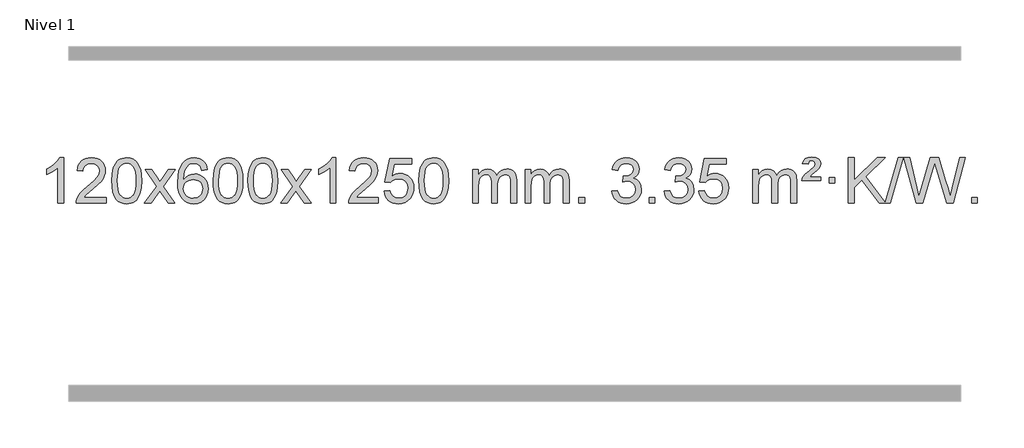
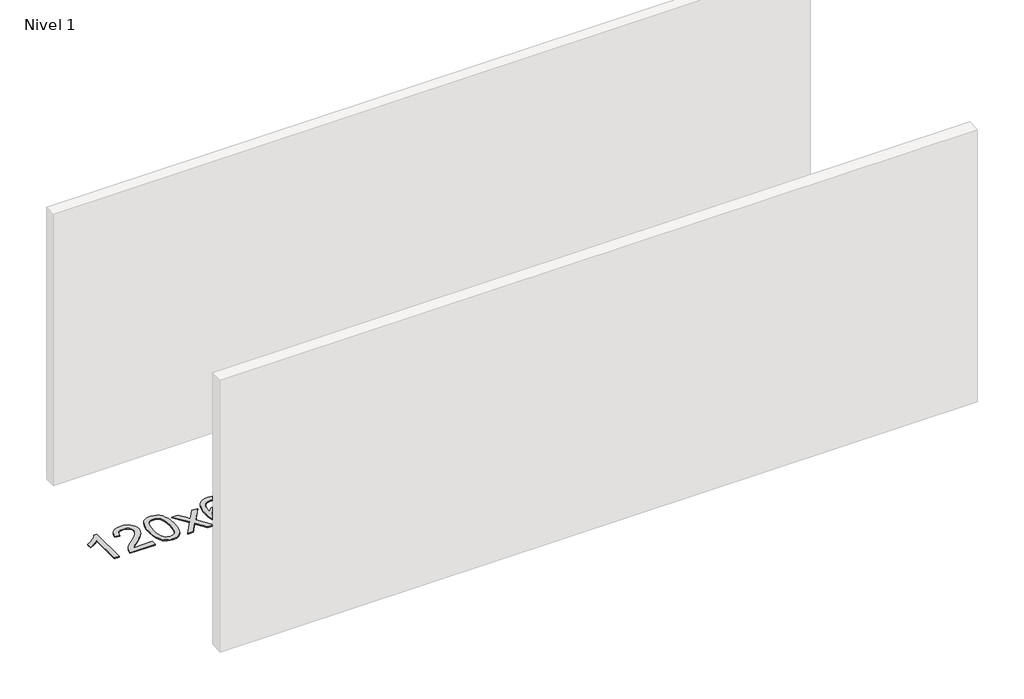
# One storey, part 6 of 12: 1 proxy.
"""IFC4 building model written with IfcOpenShell, lengths in millimetres."""

from ifc_helpers import new_model, si_unit, origin, origin_with_axes, place, context, project, spatial, polyline, outline, extrude, element, save

model = new_model("IFC4")

# Units and contexts
model_context = context("Model", 3, world=origin())
ifc_project = project(units=[si_unit("LENGTHUNIT", "METRE", prefix="MILLI")], contexts=[model_context])

# Site, building, storey
site = spatial("IfcSite", under=ifc_project)
building = spatial("IfcBuilding", under=site)
storey = spatial("IfcBuildingStorey", under=building, Name="Nivel 1", Elevation=0.0)

# Proxy
placement = place(None, origin())
element("IfcBuildingElementProxy", 1, Name="Texto de modelo 1", ObjectType="Texto de modelo 1", at=placement, inside=storey, context=model_context, shape_type="SweptSolid", body=[
    extrude(outline(polyline([(-6575.4615788, -15407.579453), (-6625.6897338, -15407.579453), (-6625.6897338, -15094.4382987), (-6646.6590076, -15111.3976587), (-6673.2691385, -15128.3324932), (-6726.146044, -15153.6918254), (-6726.146044, -15106.2105225), (-6686.6968314, -15084.7507395), (-6652.520594, -15059.219729), (-6625.5793692, -15032.0700378), (-6607.8351943, -15005.7542124), (-6575.4615788, -15005.7542124), (-6575.4615788, -15407.579453)])), origin_with_axes(), (0.0, 0.0, 1.0), 10.0),
    extrude(outline(polyline([(-6198.7504157, -15357.3512979), (-6198.7504157, -15407.579453), (-6462.4482298, -15407.579453), (-6461.3445839, -15389.8965918), (-6457.0526273, -15372.9494945), (-6444.6672667, -15345.8856424), (-6426.5429471, -15319.6311307), (-6400.3252236, -15292.1503456), (-6363.6596514, -15261.4076736), (-6309.4583708, -15213.2641831), (-6276.9376024, -15177.7267824), (-6260.6772182, -15148.884834), (-6255.2570902, -15120.8277005), (-6260.3706499, -15095.6768347), (-6275.7113291, -15074.7688747), (-6299.292565, -15060.6789943), (-6329.1277948, -15055.9823675), (-6360.4590781, -15060.5686297), (-6384.8006034, -15074.3274163), (-6400.5091646, -15096.1796068), (-6405.9415554, -15125.0460807), (-6456.1697105, -15118.7675613), (-6451.8501627, -15092.838012), (-6443.9928164, -15070.1826125), (-6432.5976716, -15050.8013627), (-6417.6647283, -15034.6942627), (-6399.537343, -15022.0329907), (-6378.5588722, -15012.989225), (-6354.729316, -15007.5629655), (-6328.0486743, -15005.7542124), (-6301.1289093, -15007.7653006), (-6277.1705943, -15013.7985654), (-6256.1737295, -15023.8540066), (-6238.1383147, -15037.9316242), (-6223.6529611, -15054.9890861), (-6213.30628, -15073.9840598), (-6207.0982713, -15094.9165453), (-6205.0289351, -15117.7865427), (-6207.2607525, -15141.8092369), (-6213.9562048, -15165.4149983), (-6225.8387933, -15189.4254299), (-6243.6320191, -15214.6621347), (-6271.9957209, -15244.7916701), (-6315.5897374, -15283.4805933), (-6373.3717361, -15331.795762), (-6396.033267, -15357.3512979), (-6198.7504157, -15357.3512979)])), origin_with_axes(), (0.0, 0.0, 1.0), 10.0),
    extrude(outline(polyline([(-6148.5222606, -15209.9041943), (-6144.8311779, -15145.5861588), (-6133.7579299, -15094.2911459), (-6115.4128811, -15055.2343407), (-6103.5548181, -15040.0009605), (-6089.9063961, -15027.6309284), (-6074.4216298, -15018.0598651), (-6057.0545339, -15011.2233914), (-6016.6733536, -15005.7542124), (-5985.722215, -15008.991574), (-5958.0084381, -15018.7036586), (-5934.8318724, -15034.5103217), (-5917.4923677, -15056.0314184), (-5904.3957686, -15083.0830078), (-5893.94792, -15115.4811488), (-5887.1053149, -15156.6226186), (-5884.8244465, -15209.9041943), (-5888.478741, -15273.8543477), (-5899.4416244, -15325.0267333), (-5917.6763087, -15364.1203266), (-5929.5067805, -15379.3996922), (-5943.1460055, -15391.8341036), (-5958.6491659, -15401.4695462), (-5976.071444, -15408.3520052), (-6016.6733536, -15413.8579724), (-6044.3380796, -15411.4667394), (-6068.8635459, -15404.2930405), (-6090.2497526, -15392.3368757), (-6108.4966996, -15375.5982449), (-6126.0078825, -15345.3399508), (-6138.5158704, -15307.6381776), (-6146.0206631, -15262.4929255), (-6148.5222606, -15209.9041943)]), holes=[polyline([(-6098.2941056, -15209.8060924), (-6096.8225776, -15253.4706195), (-6092.4079936, -15288.8148822), (-6085.0503537, -15315.8388804), (-6074.7496579, -15334.5426142), (-6062.290721, -15347.2682656), (-6048.4583579, -15356.3580165), (-6033.2525688, -15361.8118671), (-6016.6733536, -15363.6298173), (-6000.0941383, -15361.8057357), (-5984.8883492, -15356.3334911), (-5971.0559862, -15347.2130833), (-5958.5970493, -15334.4445124), (-5948.2963534, -15315.7101217), (-5940.9387135, -15288.6922549), (-5936.5241295, -15253.3909118), (-5935.0526016, -15209.8060924), (-5936.4750786, -15167.2973278), (-5940.7425098, -15132.5753989), (-5947.854895, -15105.6403055), (-5957.8122343, -15086.4920476), (-5970.0627048, -15073.1440625), (-5984.0544833, -15063.6097875), (-5999.78757, -15057.8892225), (-6017.2619648, -15055.9823675), (-6033.7553409, -15057.6623619), (-6048.7036126, -15062.7023452), (-6062.10678, -15071.1023175), (-6073.9648429, -15082.8622786), (-6084.6088953, -15103.708925), (-6092.2117899, -15131.8151094), (-6096.7735266, -15167.1808319), (-6098.2941056, -15209.8060924)])]), origin_with_axes(), (0.0, 0.0, 1.0), 10.0),
    extrude(outline(polyline([(-5859.7103689, -15407.579453), (-5752.3869282, -15259.2494325), (-5853.4318496, -15112.4890419), (-5793.0011005, -15112.4890419), (-5744.2444734, -15183.122385), (-5721.4848406, -15216.4770192), (-5701.7663657, -15189.2047007), (-5646.2407099, -15112.4890419), (-5585.8099608, -15112.4890419), (-5691.9561791, -15259.2494325), (-5589.7340354, -15407.579453), (-5650.1647845, -15407.579453), (-5711.6746541, -15318.4048574), (-5722.9563686, -15302.1199477), (-5799.2796199, -15407.579453), (-5859.7103689, -15407.579453)])), origin_with_axes(), (0.0, 0.0, 1.0), 10.0),
    extrude(outline(polyline([(-5300.9221437, -15112.4890419), (-5351.1502988, -15118.7675613), (-5359.2437027, -15093.874213), (-5370.1820607, -15076.8780648), (-5392.9662189, -15061.2062918), (-5420.5083176, -15055.9823675), (-5443.8565616, -15059.0235253), (-5465.8313794, -15068.1469988), (-5484.7037258, -15087.3627017), (-5500.1179814, -15113.8134171), (-5510.5290419, -15151.227016), (-5514.3918028, -15203.3313693), (-5494.2441322, -15179.8237098), (-5470.0988106, -15163.2567573), (-5443.3047386, -15153.434308), (-5415.2108169, -15150.1601582), (-5391.077758, -15152.398107), (-5368.8086346, -15159.1119534), (-5348.4034466, -15170.3016975), (-5329.862194, -15185.9673391), (-5314.4540698, -15205.1769106), (-5303.4482668, -15226.9984443), (-5296.844785, -15251.4319401), (-5294.6436244, -15278.4773982), (-5298.7884282, -15314.4439945), (-5311.2228396, -15347.786366), (-5330.9167891, -15376.0642287), (-5356.840207, -15396.8372987), (-5387.815871, -15409.602804), (-5422.6665587, -15413.8579724), (-5452.6090874, -15411.0375437), (-5479.6514797, -15402.5762579), (-5503.7937357, -15388.4741147), (-5525.0358552, -15368.7311143), (-5542.3539001, -15342.5133908), (-5554.7239322, -15308.9870783), (-5562.1459515, -15268.1521768), (-5564.6199579, -15220.0086864), (-5561.8731057, -15166.0342663), (-5553.632549, -15119.9693092), (-5539.8982878, -15081.8138149), (-5520.6703222, -15051.5677835), (-5499.8298072, -15031.5243462), (-5475.6660915, -15017.2076052), (-5448.179175, -15008.6175606), (-5417.3690579, -15005.7542124), (-5394.2354118, -15007.5261773), (-5373.2967949, -15012.8420722), (-5354.5532073, -15021.7018969), (-5338.0046489, -15034.1056515), (-5324.0987094, -15049.6364031), (-5313.2829788, -15067.8772186), (-5305.5574569, -15088.8280983), (-5300.9221437, -15112.4890419)]), holes=[polyline([(-5514.3918028, -15277.6925832), (-5511.485535, -15299.9494439), (-5502.7667318, -15321.2007605), (-5489.2286743, -15339.472233), (-5471.8646442, -15352.7895612), (-5450.9076332, -15360.9197533), (-5426.5906333, -15363.6298173), (-5393.4444655, -15358.0134855), (-5379.5293291, -15350.9930708), (-5367.3861575, -15341.1644901), (-5357.5361171, -15328.9262824), (-5350.500374, -15314.6769865), (-5344.8717794, -15280.1451299), (-5350.4267976, -15246.9989621), (-5357.3705702, -15233.3781312), (-5367.0918519, -15221.725469), (-5379.2718117, -15212.3904634), (-5393.5916183, -15205.7226022), (-5428.6507725, -15200.3883133), (-5461.7478893, -15205.7226022), (-5489.4248781, -15221.725469), (-5500.3479076, -15233.2248471), (-5508.1500716, -15246.3858254), (-5512.83137, -15261.2084042), (-5514.3918028, -15277.6925832)])]), origin_with_axes(), (0.0, 0.0, 1.0), 10.0),
    extrude(outline(polyline([(-5250.6939887, -15209.9041943), (-5247.002906, -15145.5861588), (-5235.9296579, -15094.2911459), (-5217.5846091, -15055.2343407), (-5205.7265461, -15040.0009605), (-5192.0781241, -15027.6309284), (-5176.5933578, -15018.0598651), (-5159.2262619, -15011.2233914), (-5118.8450816, -15005.7542124), (-5087.8939431, -15008.991574), (-5060.1801661, -15018.7036586), (-5037.0036004, -15034.5103217), (-5019.6640957, -15056.0314184), (-5006.5674967, -15083.0830078), (-4996.119648, -15115.4811488), (-4989.2770429, -15156.6226186), (-4986.9961745, -15209.9041943), (-4990.650469, -15273.8543477), (-5001.6133525, -15325.0267333), (-5019.8480367, -15364.1203266), (-5031.6785085, -15379.3996922), (-5045.3177335, -15391.8341036), (-5060.8208939, -15401.4695462), (-5078.2431721, -15408.3520052), (-5118.8450816, -15413.8579724), (-5146.5098076, -15411.4667394), (-5171.035274, -15404.2930405), (-5192.4214806, -15392.3368757), (-5210.6684276, -15375.5982449), (-5228.1796106, -15345.3399508), (-5240.6875984, -15307.6381776), (-5248.1923911, -15262.4929255), (-5250.6939887, -15209.9041943)]), holes=[polyline([(-5200.4658336, -15209.8060924), (-5198.9943056, -15253.4706195), (-5194.5797217, -15288.8148822), (-5187.2220818, -15315.8388804), (-5176.9213859, -15334.5426142), (-5164.462449, -15347.2682656), (-5150.630086, -15356.3580165), (-5135.4242968, -15361.8118671), (-5118.8450816, -15363.6298173), (-5102.2658663, -15361.8057357), (-5087.0600772, -15356.3334911), (-5073.2277142, -15347.2130833), (-5060.7687773, -15334.4445124), (-5050.4680814, -15315.7101217), (-5043.1104415, -15288.6922549), (-5038.6958576, -15253.3909118), (-5037.2243296, -15209.8060924), (-5038.6468066, -15167.2973278), (-5042.9142378, -15132.5753989), (-5050.026623, -15105.6403055), (-5059.9839624, -15086.4920476), (-5072.2344328, -15073.1440625), (-5086.2262114, -15063.6097875), (-5101.959298, -15057.8892225), (-5119.4336928, -15055.9823675), (-5135.9270689, -15057.6623619), (-5150.8753406, -15062.7023452), (-5164.278508, -15071.1023175), (-5176.136571, -15082.8622786), (-5186.7806234, -15103.708925), (-5194.3835179, -15131.8151094), (-5198.9452547, -15167.1808319), (-5200.4658336, -15209.8060924)])]), origin_with_axes(), (0.0, 0.0, 1.0), 10.0),
    extrude(outline(polyline([(-4943.0465388, -15209.9041943), (-4939.3554561, -15145.5861588), (-4928.2822081, -15094.2911459), (-4909.9371593, -15055.2343407), (-4898.0790963, -15040.0009605), (-4884.4306743, -15027.6309284), (-4868.945908, -15018.0598651), (-4851.5788121, -15011.2233914), (-4811.1976318, -15005.7542124), (-4780.2464932, -15008.991574), (-4752.5327163, -15018.7036586), (-4729.3561506, -15034.5103217), (-4712.0166459, -15056.0314184), (-4698.9200468, -15083.0830078), (-4688.4721982, -15115.4811488), (-4681.6295931, -15156.6226186), (-4679.3487247, -15209.9041943), (-4683.0030192, -15273.8543477), (-4693.9659026, -15325.0267333), (-4712.2005869, -15364.1203266), (-4724.0310587, -15379.3996922), (-4737.6702837, -15391.8341036), (-4753.1734441, -15401.4695462), (-4770.5957222, -15408.3520052), (-4811.1976318, -15413.8579724), (-4838.8623578, -15411.4667394), (-4863.3878241, -15404.2930405), (-4884.7740308, -15392.3368757), (-4903.0209778, -15375.5982449), (-4920.5321607, -15345.3399508), (-4933.0401486, -15307.6381776), (-4940.5449413, -15262.4929255), (-4943.0465388, -15209.9041943)]), holes=[polyline([(-4892.8183838, -15209.8060924), (-4891.3468558, -15253.4706195), (-4886.9322718, -15288.8148822), (-4879.5746319, -15315.8388804), (-4869.2739361, -15334.5426142), (-4856.8149992, -15347.2682656), (-4842.9826361, -15356.3580165), (-4827.776847, -15361.8118671), (-4811.1976318, -15363.6298173), (-4794.6184165, -15361.8057357), (-4779.4126274, -15356.3334911), (-4765.5802644, -15347.2130833), (-4753.1213275, -15334.4445124), (-4742.8206316, -15315.7101217), (-4735.4629917, -15288.6922549), (-4731.0484077, -15253.3909118), (-4729.5768798, -15209.8060924), (-4730.9993568, -15167.2973278), (-4735.266788, -15132.5753989), (-4742.3791732, -15105.6403055), (-4752.3365125, -15086.4920476), (-4764.586983, -15073.1440625), (-4778.5787615, -15063.6097875), (-4794.3118482, -15057.8892225), (-4811.786243, -15055.9823675), (-4828.2796191, -15057.6623619), (-4843.2278908, -15062.7023452), (-4856.6310582, -15071.1023175), (-4868.4891211, -15082.8622786), (-4879.1331735, -15103.708925), (-4886.7360681, -15131.8151094), (-4891.2978048, -15167.1808319), (-4892.8183838, -15209.8060924)])]), origin_with_axes(), (0.0, 0.0, 1.0), 10.0),
    extrude(outline(polyline([(-4654.2346472, -15407.579453), (-4546.9112064, -15259.2494325), (-4647.9561278, -15112.4890419), (-4587.5253787, -15112.4890419), (-4538.7687516, -15183.122385), (-4516.0091188, -15216.4770192), (-4496.2906439, -15189.2047007), (-4440.7649881, -15112.4890419), (-4380.334239, -15112.4890419), (-4486.4804574, -15259.2494325), (-4384.2583136, -15407.579453), (-4444.6890627, -15407.579453), (-4506.1989323, -15318.4048574), (-4517.4806468, -15302.1199477), (-4593.8038981, -15407.579453), (-4654.2346472, -15407.579453)])), origin_with_axes(), (0.0, 0.0, 1.0), 10.0),
    extrude(outline(polyline([(-4164.5101352, -15407.579453), (-4214.7382902, -15407.579453), (-4214.7382902, -15094.4382987), (-4235.707564, -15111.3976587), (-4262.317695, -15128.3324932), (-4315.1946004, -15153.6918254), (-4315.1946004, -15106.2105225), (-4275.7453878, -15084.7507395), (-4241.5691504, -15059.219729), (-4214.6279257, -15032.0700378), (-4196.8837508, -15005.7542124), (-4164.5101352, -15005.7542124), (-4164.5101352, -15407.579453)])), origin_with_axes(), (0.0, 0.0, 1.0), 10.0),
    extrude(outline(polyline([(-3787.7989721, -15357.3512979), (-3787.7989721, -15407.579453), (-4051.4967863, -15407.579453), (-4050.3931403, -15389.8965918), (-4046.1011837, -15372.9494945), (-4033.7158232, -15345.8856424), (-4015.5915035, -15319.6311307), (-3989.37378, -15292.1503456), (-3952.7082078, -15261.4076736), (-3898.5069272, -15213.2641831), (-3865.9861588, -15177.7267824), (-3849.7257746, -15148.884834), (-3844.3056466, -15120.8277005), (-3849.4192063, -15095.6768347), (-3864.7598855, -15074.7688747), (-3888.3411214, -15060.6789943), (-3918.1763512, -15055.9823675), (-3949.5076345, -15060.5686297), (-3973.8491598, -15074.3274163), (-3989.557721, -15096.1796068), (-3994.9901118, -15125.0460807), (-4045.2182669, -15118.7675613), (-4040.8987191, -15092.838012), (-4033.0413728, -15070.1826125), (-4021.646228, -15050.8013627), (-4006.7132847, -15034.6942627), (-3988.5858994, -15022.0329907), (-3967.6074286, -15012.989225), (-3943.7778724, -15007.5629655), (-3917.0972307, -15005.7542124), (-3890.1774657, -15007.7653006), (-3866.2191508, -15013.7985654), (-3845.2222859, -15023.8540066), (-3827.1868711, -15037.9316242), (-3812.7015175, -15054.9890861), (-3802.3548364, -15073.9840598), (-3796.1468277, -15094.9165453), (-3794.0774915, -15117.7865427), (-3796.3093089, -15141.8092369), (-3803.0047612, -15165.4149983), (-3814.8873497, -15189.4254299), (-3832.6805755, -15214.6621347), (-3861.0442774, -15244.7916701), (-3904.6382938, -15283.4805933), (-3962.4202925, -15331.795762), (-3985.0818234, -15357.3512979), (-3787.7989721, -15357.3512979)])), origin_with_axes(), (0.0, 0.0, 1.0), 10.0),
    extrude(outline(polyline([(-3737.570817, -15300.8446235), (-3687.342662, -15294.5661041), (-3678.1210866, -15324.7201649), (-3662.0323807, -15346.3148381), (-3639.1501206, -15359.3010725), (-3609.5478827, -15363.6298173), (-3590.418019, -15362.1245668), (-3573.5444981, -15357.6088153), (-3558.9273202, -15350.0825628), (-3546.5664851, -15339.5458094), (-3536.7379045, -15326.519721), (-3529.7174898, -15311.5254641), (-3524.101158, -15275.6324441), (-3529.3618705, -15241.8363514), (-3535.9377612, -15227.9181493), (-3545.1440081, -15215.9865099), (-3557.0112681, -15206.4154467), (-3571.5701981, -15199.5789729), (-3608.7630678, -15194.1097939), (-3633.1291186, -15196.2925604), (-3652.8598563, -15202.8408599), (-3668.6174684, -15212.8717757), (-3681.0641426, -15225.5023908), (-3731.2922977, -15219.2238715), (-3687.342662, -15012.0327318), (-3492.708561, -15012.0327318), (-3492.708561, -15062.2608869), (-3646.7284897, -15062.2608869), (-3668.2127982, -15172.919791), (-3650.4870174, -15160.2155994), (-3632.332041, -15151.1411769), (-3613.7478688, -15145.6965234), (-3594.734501, -15143.8816388), (-3570.273414, -15146.1318504), (-3547.8050212, -15152.882485), (-3527.3293225, -15164.1335427), (-3508.8463179, -15179.8850234), (-3493.5454926, -15199.1743027), (-3482.6163316, -15221.038756), (-3476.0588351, -15245.4783832), (-3473.8730029, -15272.4931844), (-3475.8411716, -15298.5147042), (-3481.7456776, -15322.7213394), (-3491.586521, -15345.1130902), (-3505.3637017, -15365.6899565), (-3526.2348735, -15386.7634634), (-3550.5886616, -15401.8159684), (-3578.4250659, -15410.8474714), (-3609.7440864, -15413.8579724), (-3635.6644387, -15411.9235262), (-3659.077062, -15406.1201877), (-3679.9819564, -15396.447957), (-3698.3791218, -15382.9068338), (-3713.6860785, -15366.1712688), (-3725.3203466, -15346.915712), (-3733.2819261, -15325.1401636), (-3737.570817, -15300.8446235)])), origin_with_axes(), (0.0, 0.0, 1.0), 10.0),
    extrude(outline(polyline([(-3429.9233672, -15209.9041943), (-3426.2322845, -15145.5861588), (-3415.1590365, -15094.2911459), (-3396.8139876, -15055.2343407), (-3384.9559247, -15040.0009605), (-3371.3075026, -15027.6309284), (-3355.8227363, -15018.0598651), (-3338.4556405, -15011.2233914), (-3298.0744601, -15005.7542124), (-3267.1233216, -15008.991574), (-3239.4095446, -15018.7036586), (-3216.2329789, -15034.5103217), (-3198.8934742, -15056.0314184), (-3185.7968752, -15083.0830078), (-3175.3490265, -15115.4811488), (-3168.5064214, -15156.6226186), (-3166.2255531, -15209.9041943), (-3169.8798475, -15273.8543477), (-3180.842731, -15325.0267333), (-3199.0774152, -15364.1203266), (-3210.9078871, -15379.3996922), (-3224.547112, -15391.8341036), (-3240.0502724, -15401.4695462), (-3257.4725506, -15408.3520052), (-3298.0744601, -15413.8579724), (-3325.7391862, -15411.4667394), (-3350.2646525, -15404.2930405), (-3371.6508592, -15392.3368757), (-3389.8978061, -15375.5982449), (-3407.4089891, -15345.3399508), (-3419.9169769, -15307.6381776), (-3427.4217696, -15262.4929255), (-3429.9233672, -15209.9041943)]), holes=[polyline([(-3379.6952121, -15209.8060924), (-3378.2236842, -15253.4706195), (-3373.8091002, -15288.8148822), (-3366.4514603, -15315.8388804), (-3356.1507644, -15334.5426142), (-3343.6918275, -15347.2682656), (-3329.8594645, -15356.3580165), (-3314.6536754, -15361.8118671), (-3298.0744601, -15363.6298173), (-3281.4952449, -15361.8057357), (-3266.2894558, -15356.3334911), (-3252.4570927, -15347.2130833), (-3239.9981558, -15334.4445124), (-3229.69746, -15315.7101217), (-3222.3398201, -15288.6922549), (-3217.9252361, -15253.3909118), (-3216.4537081, -15209.8060924), (-3217.8761852, -15167.2973278), (-3222.1436163, -15132.5753989), (-3229.2560016, -15105.6403055), (-3239.2133409, -15086.4920476), (-3251.4638113, -15073.1440625), (-3265.4555899, -15063.6097875), (-3281.1886766, -15057.8892225), (-3298.6630713, -15055.9823675), (-3315.1564474, -15057.6623619), (-3330.1047192, -15062.7023452), (-3343.5078865, -15071.1023175), (-3355.3659495, -15082.8622786), (-3366.0100019, -15103.708925), (-3373.6128965, -15131.8151094), (-3378.1746332, -15167.1808319), (-3379.6952121, -15209.8060924)])]), origin_with_axes(), (0.0, 0.0, 1.0), 10.0),
    extrude(outline(polyline([(-2952.755894, -15407.579453), (-2952.755894, -15112.4890419), (-2902.5277389, -15112.4890419), (-2902.5277389, -15161.0494653), (-2887.4200517, -15138.7435537), (-2867.9958823, -15121.2691589), (-2844.9174185, -15109.9751816), (-2818.8468478, -15106.2105225), (-2790.9123416, -15110.048758), (-2768.5205908, -15121.5634645), (-2751.7942228, -15139.9943524), (-2740.8558648, -15164.5811324), (-2722.5476041, -15139.0439906), (-2701.6641696, -15120.803175), (-2678.205561, -15109.8586857), (-2652.1717785, -15106.2105225), (-2632.0639617, -15107.7280358), (-2614.414823, -15112.2805755), (-2599.2243623, -15119.8681416), (-2586.4925796, -15130.4907342), (-2576.4279413, -15144.2709806), (-2569.238914, -15161.3315082), (-2564.9254976, -15181.6723168), (-2563.4876922, -15205.2934066), (-2563.4876922, -15407.579453), (-2613.7158472, -15407.579453), (-2613.7158472, -15226.875817), (-2614.8808069, -15201.8230531), (-2618.3756858, -15184.9372695), (-2624.9239854, -15173.3735121), (-2635.2492067, -15164.2868268), (-2648.5297467, -15158.4007149), (-2663.9440023, -15156.4386776), (-2691.1550072, -15161.4663982), (-2713.3382915, -15176.54956), (-2721.9436645, -15188.1194488), (-2728.0903595, -15202.7182326), (-2733.0077155, -15241.0024856), (-2733.0077155, -15407.579453), (-2783.2358706, -15407.579453), (-2783.2358706, -15221.2840106), (-2786.1421384, -15192.8835206), (-2794.8609417, -15172.6254854), (-2810.2016209, -15160.4853796), (-2832.9735164, -15156.4386776), (-2852.3241093, -15159.1364789), (-2870.1541233, -15167.2298828), (-2884.8694032, -15180.5226856), (-2894.8757934, -15198.8186835), (-2900.6147525, -15224.2025411), (-2902.5277389, -15258.7589232), (-2902.5277389, -15407.579453), (-2952.755894, -15407.579453)])), origin_with_axes(), (0.0, 0.0, 1.0), 10.0),
    extrude(outline(polyline([(-2488.1454596, -15407.579453), (-2488.1454596, -15112.4890419), (-2437.9173045, -15112.4890419), (-2437.9173045, -15161.0494653), (-2422.8096172, -15138.7435537), (-2403.3854479, -15121.2691589), (-2380.306984, -15109.9751816), (-2354.2364133, -15106.2105225), (-2326.3019071, -15110.048758), (-2303.9101564, -15121.5634645), (-2287.1837883, -15139.9943524), (-2276.2454303, -15164.5811324), (-2257.9371697, -15139.0439906), (-2237.0537351, -15120.803175), (-2213.5951266, -15109.8586857), (-2187.561344, -15106.2105225), (-2167.4535273, -15107.7280358), (-2149.8043886, -15112.2805755), (-2134.6139279, -15119.8681416), (-2121.8821452, -15130.4907342), (-2111.8175069, -15144.2709806), (-2104.6284796, -15161.3315082), (-2100.3150632, -15181.6723168), (-2098.8772577, -15205.2934066), (-2098.8772577, -15407.579453), (-2149.1054128, -15407.579453), (-2149.1054128, -15226.875817), (-2150.2703724, -15201.8230531), (-2153.7652514, -15184.9372695), (-2160.3135509, -15173.3735121), (-2170.6387722, -15164.2868268), (-2183.9193123, -15158.4007149), (-2199.3335679, -15156.4386776), (-2226.5445728, -15161.4663982), (-2248.7278571, -15176.54956), (-2257.3332301, -15188.1194488), (-2263.4799251, -15202.7182326), (-2268.3972811, -15241.0024856), (-2268.3972811, -15407.579453), (-2318.6254362, -15407.579453), (-2318.6254362, -15221.2840106), (-2321.5317039, -15192.8835206), (-2330.2505072, -15172.6254854), (-2345.5911864, -15160.4853796), (-2368.3630819, -15156.4386776), (-2387.7136749, -15159.1364789), (-2405.5436889, -15167.2298828), (-2420.2589687, -15180.5226856), (-2430.265359, -15198.8186835), (-2436.0043181, -15224.2025411), (-2437.9173045, -15258.7589232), (-2437.9173045, -15407.579453), (-2488.1454596, -15407.579453)])), origin_with_axes(), (0.0, 0.0, 1.0), 10.0),
    extrude(outline(polyline([(-2010.9779863, -15407.579453), (-2010.9779863, -15357.3512979), (-1960.7498313, -15357.3512979), (-1960.7498313, -15407.579453), (-2010.9779863, -15407.579453)])), origin_with_axes(), (0.0, 0.0, 1.0), 10.0),
    extrude(outline(polyline([(-1722.1660947, -15300.8446235), (-1671.9379396, -15294.5661041), (-1660.6930133, -15326.1303793), (-1644.2241626, -15347.4430095), (-1621.7220472, -15359.5831154), (-1592.3773268, -15363.6298173), (-1557.943572, -15358.0625364), (-1543.6697506, -15351.1034354), (-1531.3579665, -15341.3606939), (-1514.3618183, -15316.4428201), (-1508.6964356, -15286.2274455), (-1514.3127674, -15257.5449126), (-1531.1617628, -15234.2825078), (-1556.6682478, -15218.8682522), (-1588.2570484, -15213.730167), (-1623.4756181, -15219.2238715), (-1617.8838118, -15168.9957164), (-1609.8394588, -15169.5843276), (-1579.7467116, -15165.979084), (-1552.842275, -15155.1633534), (-1541.769027, -15146.9841103), (-1533.8595641, -15136.8673555), (-1529.1138863, -15124.8130888), (-1527.5319937, -15110.8213102), (-1532.118256, -15089.1285352), (-1545.8770426, -15071.5315131), (-1566.8708418, -15059.8696539), (-1593.1621417, -15055.9823675), (-1619.5024925, -15059.9064421), (-1641.035852, -15071.6786659), (-1656.7566759, -15091.299039), (-1665.6594202, -15118.7675613), (-1715.8875753, -15112.4890419), (-1709.9340183, -15088.5092672), (-1701.0987191, -15067.3867093), (-1689.3816775, -15049.1213683), (-1674.7828937, -15033.713244), (-1657.76222, -15021.4811677), (-1638.7795091, -15012.7439703), (-1617.8347608, -15007.5016519), (-1594.9279753, -15005.7542124), (-1563.3514373, -15009.2000404), (-1534.3500734, -15019.5375245), (-1509.8981834, -15035.8469596), (-1491.9700675, -15057.2086408), (-1480.9703959, -15081.8199463), (-1477.3038387, -15107.8782543), (-1480.7864549, -15132.1584659), (-1491.2343036, -15154.1823347), (-1508.5002319, -15172.9443165), (-1532.437087, -15187.4388671), (-1500.9954392, -15200.1430586), (-1477.6962461, -15221.77452), (-1463.2752719, -15251.1560286), (-1458.4682805, -15287.1103623), (-1460.8717762, -15312.5923218), (-1468.0822633, -15336.0631931), (-1480.0997418, -15357.5229762), (-1496.9242117, -15376.971671), (-1517.4213702, -15393.1094278), (-1540.4569145, -15404.636397), (-1566.0308445, -15411.5525785), (-1594.1431603, -15413.8579724), (-1619.5515435, -15411.8898037), (-1642.7035837, -15405.9852977), (-1663.599281, -15396.1444543), (-1682.2386355, -15382.3672736), (-1697.8674889, -15365.4630959), (-1709.7316832, -15346.2412617), (-1717.8312185, -15324.7017708), (-1722.1660947, -15300.8446235)])), origin_with_axes(), (0.0, 0.0, 1.0), 10.0),
    extrude(outline(polyline([(-1389.4045673, -15407.579453), (-1389.4045673, -15357.3512979), (-1339.1764122, -15357.3512979), (-1339.1764122, -15407.579453), (-1389.4045673, -15407.579453)])), origin_with_axes(), (0.0, 0.0, 1.0), 10.0),
    extrude(outline(polyline([(-1257.5556602, -15300.8446235), (-1207.3275051, -15294.5661041), (-1196.0825788, -15326.1303793), (-1179.6137282, -15347.4430095), (-1157.1116128, -15359.5831154), (-1127.7668923, -15363.6298173), (-1093.3331376, -15358.0625364), (-1079.0593162, -15351.1034354), (-1066.7475321, -15341.3606939), (-1049.7513839, -15316.4428201), (-1044.0860012, -15286.2274455), (-1049.7023329, -15257.5449126), (-1066.5513283, -15234.2825078), (-1092.0578133, -15218.8682522), (-1123.646614, -15213.730167), (-1158.8651836, -15219.2238715), (-1153.2733773, -15168.9957164), (-1145.2290244, -15169.5843276), (-1115.1362772, -15165.979084), (-1088.2318406, -15155.1633534), (-1077.1585925, -15146.9841103), (-1069.2491296, -15136.8673555), (-1064.5034519, -15124.8130888), (-1062.9215593, -15110.8213102), (-1067.5078215, -15089.1285352), (-1081.2666081, -15071.5315131), (-1102.2604073, -15059.8696539), (-1128.5517072, -15055.9823675), (-1154.8920581, -15059.9064421), (-1176.4254176, -15071.6786659), (-1192.1462415, -15091.299039), (-1201.0489858, -15118.7675613), (-1251.2771408, -15112.4890419), (-1245.3235839, -15088.5092672), (-1236.4882846, -15067.3867093), (-1224.7712431, -15049.1213683), (-1210.1724592, -15033.713244), (-1193.1517856, -15021.4811677), (-1174.1690746, -15012.7439703), (-1153.2243264, -15007.5016519), (-1130.3175408, -15005.7542124), (-1098.7410029, -15009.2000404), (-1069.7396389, -15019.5375245), (-1045.287749, -15035.8469596), (-1027.3596331, -15057.2086408), (-1016.3599614, -15081.8199463), (-1012.6934042, -15107.8782543), (-1016.1760205, -15132.1584659), (-1026.6238691, -15154.1823347), (-1043.8897974, -15172.9443165), (-1067.8266526, -15187.4388671), (-1036.3850047, -15200.1430586), (-1013.0858117, -15221.77452), (-998.6648375, -15251.1560286), (-993.8578461, -15287.1103623), (-996.2613418, -15312.5923218), (-1003.4718289, -15336.0631931), (-1015.4893074, -15357.5229762), (-1032.3137773, -15376.971671), (-1052.8109358, -15393.1094278), (-1075.8464801, -15404.636397), (-1101.4204101, -15411.5525785), (-1129.5327259, -15413.8579724), (-1154.941109, -15411.8898037), (-1178.0931493, -15405.9852977), (-1198.9888466, -15396.1444543), (-1217.628201, -15382.3672736), (-1233.2570544, -15365.4630959), (-1245.1212488, -15346.2412617), (-1253.220784, -15324.7017708), (-1257.5556602, -15300.8446235)])), origin_with_axes(), (0.0, 0.0, 1.0), 10.0),
    extrude(outline(polyline([(-949.9082104, -15300.8446235), (-899.6800553, -15294.5661041), (-890.45848, -15324.7201649), (-874.369774, -15346.3148381), (-851.4875139, -15359.3010725), (-821.8852761, -15363.6298173), (-802.7554123, -15362.1245668), (-785.8818915, -15357.6088153), (-771.2647135, -15350.0825628), (-758.9038785, -15339.5458094), (-749.0752979, -15326.519721), (-742.0548831, -15311.5254641), (-736.4385513, -15275.6324441), (-741.6992639, -15241.8363514), (-748.2751545, -15227.9181493), (-757.4814014, -15215.9865099), (-769.3486615, -15206.4154467), (-783.9075914, -15199.5789729), (-821.1004611, -15194.1097939), (-845.466512, -15196.2925604), (-865.1972496, -15202.8408599), (-880.9548618, -15212.8717757), (-893.4015359, -15225.5023908), (-943.629691, -15219.2238715), (-899.6800553, -15012.0327318), (-705.0459544, -15012.0327318), (-705.0459544, -15062.2608869), (-859.065883, -15062.2608869), (-880.5501916, -15172.919791), (-862.8244108, -15160.2155994), (-844.6694343, -15151.1411769), (-826.0852622, -15145.6965234), (-807.0718944, -15143.8816388), (-782.6108074, -15146.1318504), (-760.1424145, -15152.882485), (-739.6667158, -15164.1335427), (-721.1837113, -15179.8850234), (-705.8828859, -15199.1743027), (-694.953725, -15221.038756), (-688.3962284, -15245.4783832), (-686.2103962, -15272.4931844), (-688.1785649, -15298.5147042), (-694.0830709, -15322.7213394), (-703.9239143, -15345.1130902), (-717.701095, -15365.6899565), (-738.5722669, -15386.7634634), (-762.926055, -15401.8159684), (-790.7624593, -15410.8474714), (-822.0814798, -15413.8579724), (-848.001832, -15411.9235262), (-871.4144553, -15406.1201877), (-892.3193497, -15396.447957), (-910.7165152, -15382.9068338), (-926.0234719, -15366.1712688), (-937.6577399, -15346.915712), (-945.6193195, -15325.1401636), (-949.9082104, -15300.8446235)])), origin_with_axes(), (0.0, 0.0, 1.0), 10.0),
    extrude(outline(polyline([(-472.7407372, -15407.579453), (-472.7407372, -15112.4890419), (-422.5125821, -15112.4890419), (-422.5125821, -15161.0494653), (-407.4048948, -15138.7435537), (-387.9807255, -15121.2691589), (-364.9022617, -15109.9751816), (-338.8316909, -15106.2105225), (-310.8971848, -15110.048758), (-288.505434, -15121.5634645), (-271.7790659, -15139.9943524), (-260.840708, -15164.5811324), (-242.5324473, -15139.0439906), (-221.6490127, -15120.803175), (-198.1904042, -15109.8586857), (-172.1566217, -15106.2105225), (-152.0488049, -15107.7280358), (-134.3996662, -15112.2805755), (-119.2092055, -15119.8681416), (-106.4774228, -15130.4907342), (-96.4127845, -15144.2709806), (-89.2237572, -15161.3315082), (-84.9103408, -15181.6723168), (-83.4725353, -15205.2934066), (-83.4725353, -15407.579453), (-133.7006904, -15407.579453), (-133.7006904, -15226.875817), (-134.8656501, -15201.8230531), (-138.360529, -15184.9372695), (-144.9088285, -15173.3735121), (-155.2340499, -15164.2868268), (-168.5145899, -15158.4007149), (-183.9288455, -15156.4386776), (-211.1398504, -15161.4663982), (-233.3231347, -15176.54956), (-241.9285077, -15188.1194488), (-248.0752027, -15202.7182326), (-252.9925587, -15241.0024856), (-252.9925587, -15407.579453), (-303.2207138, -15407.579453), (-303.2207138, -15221.2840106), (-306.1269816, -15192.8835206), (-314.8457848, -15172.6254854), (-330.186464, -15160.4853796), (-352.9583595, -15156.4386776), (-372.3089525, -15159.1364789), (-390.1389665, -15167.2298828), (-404.8542463, -15180.5226856), (-414.8606366, -15198.8186835), (-420.5995957, -15224.2025411), (-422.5125821, -15258.7589232), (-422.5125821, -15407.579453), (-472.7407372, -15407.579453)])), origin_with_axes(), (0.0, 0.0, 1.0), 10.0),
    extrude(outline(polyline([(-39.5228997, -15206.6668327), (-35.6969269, -15190.8479069), (-27.3582683, -15174.9799302), (-5.8494344, -15149.8413272), (26.1072483, -15122.1030247), (70.2530877, -15084.726214), (77.3899984, -15073.1992448), (79.7689686, -15061.3779701), (77.8805077, -15049.2869152), (72.215125, -15039.5012541), (62.8463969, -15033.026531), (49.8478997, -15030.8682899), (37.4134883, -15032.4869707), (28.5597949, -15037.343013), (22.1341227, -15046.8098431), (16.9837748, -15062.2608869), (-33.2443803, -15055.9823675), (-22.4041241, -15030.7701881), (-5.775858, -15013.2099542), (17.9893189, -15002.9092583), (50.2403072, -14999.475693), (86.0229626, -15003.6082341), (110.7691581, -15016.0058573), (125.1901323, -15034.3386434), (129.9971237, -15056.2766731), (125.9013708, -15079.1834586), (113.6141122, -15100.8149199), (93.0862969, -15120.6314968), (56.6169284, -15148.6886303), (31.0123416, -15175.2742358), (129.9971237, -15175.2742358), (129.9971237, -15206.6668327), (-39.5228997, -15206.6668327)])), origin_with_axes(), (0.0, 0.0, 1.0), 10.0),
    extrude(outline(polyline([(205.3393563, -15231.7809102), (205.3393563, -15181.5527552), (255.5675114, -15181.5527552), (255.5675114, -15231.7809102), (205.3393563, -15231.7809102)])), origin_with_axes(), (0.0, 0.0, 1.0), 10.0),
    extrude(outline(polyline([(646.2091394, -15407.579453), (492.7778219, -15204.9009991), (425.0875348, -15269.4520265), (425.0875348, -15407.579453), (374.8593797, -15407.579453), (374.8593797, -15005.7542124), (425.0875348, -15005.7542124), (425.0875348, -15202.4484525), (631.1014521, -15005.7542124), (701.3423877, -15005.7542124), (528.388799, -15170.9577537), (703.0424089, -15401.5349332), (814.3557366, -15005.7542124), (859.6787984, -15005.7542124), (746.6654495, -15407.579453), (707.6209071, -15407.579453), (701.3423877, -15407.579453), (646.2091394, -15407.579453)])), origin_with_axes(), (0.0, 0.0, 1.0), 10.0),
    extrude(outline(polyline([(974.1636753, -15407.579453), (864.5838917, -15005.7542124), (916.3816766, -15005.7542124), (979.9516854, -15269.844434), (999.5720585, -15351.3670841), (1020.5658576, -15279.2622131), (1100.2245723, -15005.7542124), (1174.8800919, -15005.7542124), (1232.7601925, -15204.0180823), (1257.5554389, -15277.5944814), (1275.8269114, -15351.3670841), (1294.8586732, -15272.1988788), (1359.0172932, -15005.7542124), (1410.8150781, -15005.7542124), (1301.1371926, -15407.579453), (1247.4754723, -15407.579453), (1151.1394405, -15097.5775584), (1137.6994849, -15054.3146358), (1122.5917976, -15106.4067263), (1034.7906281, -15407.579453), (974.1636753, -15407.579453)])), origin_with_axes(), (0.0, 0.0, 1.0), 10.0),
    extrude(outline(polyline([(1467.3217526, -15407.579453), (1467.3217526, -15357.3512979), (1517.5499077, -15357.3512979), (1517.5499077, -15407.579453), (1467.3217526, -15407.579453)])), origin_with_axes(), (0.0, 0.0, 1.0), 10.0),
])

save(model, "model.ifc")
